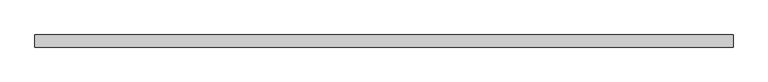
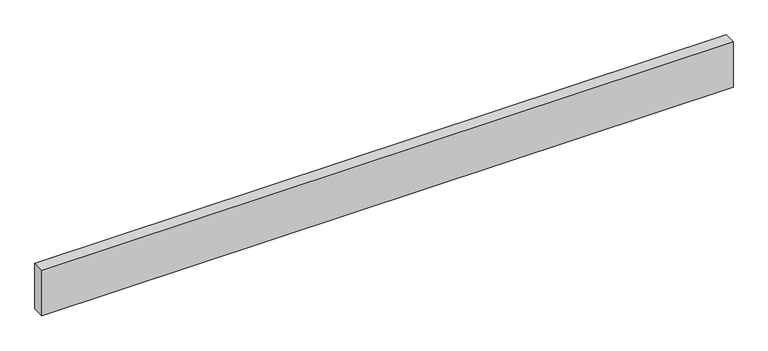
"""IFC4 building model written with IfcOpenShell, lengths in millimetres: proxy geometry."""

from ifc_helpers import new_model, si_unit, origin, origin_with_axes, place, context, project, spatial, polyline, outline, extrude, source, transform, mapped, element, save


def generic_models_f632a9f3(model_context):
    return source(origin(), model_context, "Body", "SweptSolid", [
        extrude(outline(polyline([(914.4, 31.75), (914.4, 0.0), (-914.4, 0.0), (-914.4, 31.75), (914.4, 31.75)])), origin_with_axes(), (0.0, 0.0, 1.0), 127.0),
    ])


if __name__ == "__main__":
    model = new_model("IFC4")
    model_context = context("Model", 3, world=origin())
    ifc_project = project(units=[si_unit("LENGTHUNIT", "METRE", prefix="MILLI")], contexts=[model_context])
    site = spatial("IfcSite", under=ifc_project)
    building = spatial("IfcBuilding", under=site)
    placement = place(None, origin())
    generic_models_shape = generic_models_f632a9f3(model_context)
    element("IfcBuildingElementProxy", 1, Name="Generic Models", at=placement, inside=building, context=model_context, shape_type="MappedRepresentation", body=[
        mapped(generic_models_shape, transform((0.0, 0.0, 0.0), x_axis=(1.0, 0.0, 0.0), y_axis=(0.0, 1.0, 0.0), z_axis=(0.0, 0.0, 1.0))),
    ])
    save(model, "model.ifc")
